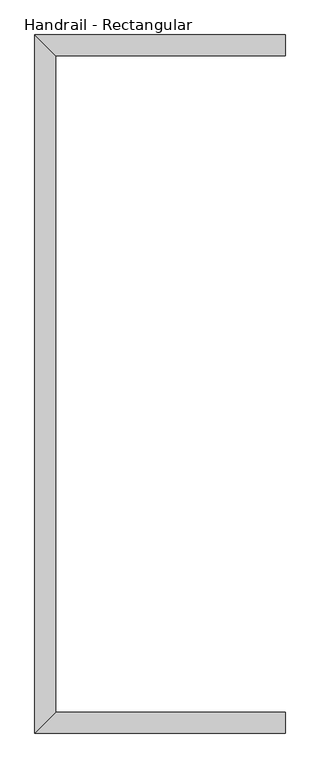
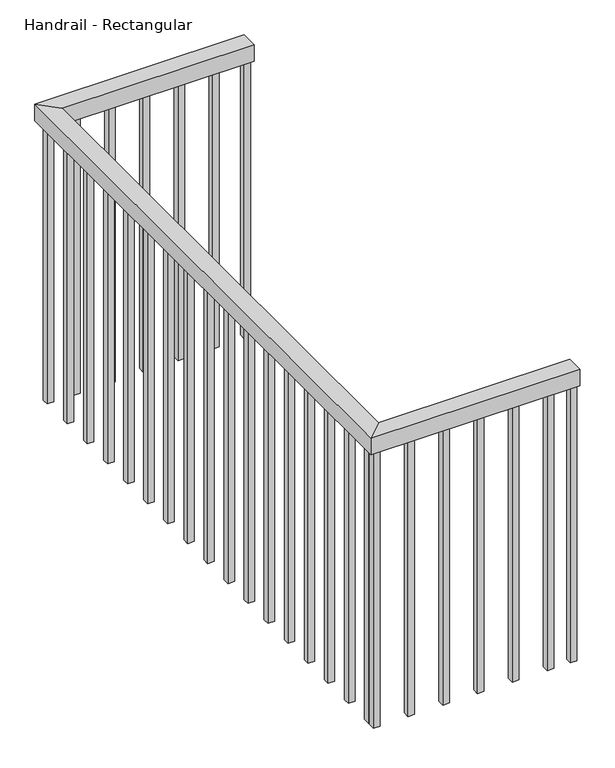
"""IFC4 building model written with IfcOpenShell, lengths in millimetres: railing geometry, Handrail - Rectangular."""

from ifc_helpers import new_model, si_unit, frame, origin, place, context, project, spatial, polyline, outline, extrude, faceted_brep, source, transform, mapped, element, save


def handrail_rectangular_5d9faa0e(model_context):
    return source(origin(), model_context, "Body", "SolidModel", [
        faceted_brep([(-526.5776156, 3180.453017, 3950.0), (-526.5776156, 3129.653017, 3950.0), (-526.5776156, 3129.653017, 3899.2), (-526.5776156, 3180.453017, 3899.2), (-1137.3776156, 3180.453017, 3950.0), (-1086.5776156, 3129.653017, 3950.0), (-1086.5776156, 3129.653017, 3899.2), (-1137.3776156, 3180.453017, 3899.2), (-1137.3776156, 1478.853017, 3950.0), (-1086.5776156, 1529.653017, 3950.0), (-1086.5776156, 1529.653017, 3899.2), (-1137.3776156, 1478.853017, 3899.2), (-526.5776156, 1478.853017, 3950.0), (-526.5776156, 1478.853017, 3899.2), (-526.5776156, 1529.653017, 3899.2), (-526.5776156, 1529.653017, 3950.0)], [[[0, 1, 2, 3]], [[1, 0, 4, 5]], [[2, 1, 5, 6]], [[3, 2, 6, 7]], [[0, 3, 7, 4]], [[5, 4, 8, 9]], [[6, 5, 9, 10]], [[7, 6, 10, 11]], [[4, 7, 11, 8]], [[12, 13, 14, 15]], [[9, 8, 12, 15]], [[10, 9, 15, 14]], [[11, 10, 14, 13]], [[8, 11, 13, 12]]]),
        extrude(outline(polyline([(-613.5026156, 1494.728017), (-613.5026156, 1513.778017), (-594.4526156, 1513.778017), (-594.4526156, 1494.728017), (-613.5026156, 1494.728017)])), frame((0.0, 0.0, 3040.0), z_axis=(0.0, 0.0, 1.0), x_axis=(1.0, 0.0, 0.0)), (0.0, 0.0, 1.0), 859.2),
        extrude(outline(polyline([(-715.1026156, 1494.728017), (-715.1026156, 1513.778017), (-696.0526156, 1513.778017), (-696.0526156, 1494.728017), (-715.1026156, 1494.728017)])), frame((0.0, 0.0, 3040.0), z_axis=(0.0, 0.0, 1.0), x_axis=(1.0, 0.0, 0.0)), (0.0, 0.0, 1.0), 859.2),
        extrude(outline(polyline([(-816.7026156, 1494.728017), (-816.7026156, 1513.778017), (-797.6526156, 1513.778017), (-797.6526156, 1494.728017), (-816.7026156, 1494.728017)])), frame((0.0, 0.0, 3040.0), z_axis=(0.0, 0.0, 1.0), x_axis=(1.0, 0.0, 0.0)), (0.0, 0.0, 1.0), 859.2),
        extrude(outline(polyline([(-918.3026156, 1494.728017), (-918.3026156, 1513.778017), (-899.2526156, 1513.778017), (-899.2526156, 1494.728017), (-918.3026156, 1494.728017)])), frame((0.0, 0.0, 3040.0), z_axis=(0.0, 0.0, 1.0), x_axis=(1.0, 0.0, 0.0)), (0.0, 0.0, 1.0), 859.2),
        extrude(outline(polyline([(-1019.9026156, 1494.728017), (-1019.9026156, 1513.778017), (-1000.8526156, 1513.778017), (-1000.8526156, 1494.728017), (-1019.9026156, 1494.728017)])), frame((0.0, 0.0, 3040.0), z_axis=(0.0, 0.0, 1.0), x_axis=(1.0, 0.0, 0.0)), (0.0, 0.0, 1.0), 859.2),
        extrude(outline(polyline([(-1121.5026156, 1538.978017), (-1102.4526156, 1538.978017), (-1102.4526156, 1519.928017), (-1121.5026156, 1519.928017), (-1121.5026156, 1538.978017)])), frame((0.0, 0.0, 3040.0), z_axis=(0.0, 0.0, 1.0), x_axis=(1.0, 0.0, 0.0)), (0.0, 0.0, 1.0), 859.2),
        extrude(outline(polyline([(-1121.5026156, 1640.578017), (-1102.4526156, 1640.578017), (-1102.4526156, 1621.528017), (-1121.5026156, 1621.528017), (-1121.5026156, 1640.578017)])), frame((0.0, 0.0, 3040.0), z_axis=(0.0, 0.0, 1.0), x_axis=(1.0, 0.0, 0.0)), (0.0, 0.0, 1.0), 859.2),
        extrude(outline(polyline([(-1121.5026156, 1742.178017), (-1102.4526156, 1742.178017), (-1102.4526156, 1723.128017), (-1121.5026156, 1723.128017), (-1121.5026156, 1742.178017)])), frame((0.0, 0.0, 3040.0), z_axis=(0.0, 0.0, 1.0), x_axis=(1.0, 0.0, 0.0)), (0.0, 0.0, 1.0), 859.2),
        extrude(outline(polyline([(-1121.5026156, 1843.778017), (-1102.4526156, 1843.778017), (-1102.4526156, 1824.728017), (-1121.5026156, 1824.728017), (-1121.5026156, 1843.778017)])), frame((0.0, 0.0, 3040.0), z_axis=(0.0, 0.0, 1.0), x_axis=(1.0, 0.0, 0.0)), (0.0, 0.0, 1.0), 859.2),
        extrude(outline(polyline([(-1121.5026156, 1945.378017), (-1102.4526156, 1945.378017), (-1102.4526156, 1926.328017), (-1121.5026156, 1926.328017), (-1121.5026156, 1945.378017)])), frame((0.0, 0.0, 3040.0), z_axis=(0.0, 0.0, 1.0), x_axis=(1.0, 0.0, 0.0)), (0.0, 0.0, 1.0), 859.2),
        extrude(outline(polyline([(-1121.5026156, 2046.978017), (-1102.4526156, 2046.978017), (-1102.4526156, 2027.928017), (-1121.5026156, 2027.928017), (-1121.5026156, 2046.978017)])), frame((0.0, 0.0, 3040.0), z_axis=(0.0, 0.0, 1.0), x_axis=(1.0, 0.0, 0.0)), (0.0, 0.0, 1.0), 859.2),
        extrude(outline(polyline([(-1121.5026156, 2148.578017), (-1102.4526156, 2148.578017), (-1102.4526156, 2129.528017), (-1121.5026156, 2129.528017), (-1121.5026156, 2148.578017)])), frame((0.0, 0.0, 3040.0), z_axis=(0.0, 0.0, 1.0), x_axis=(1.0, 0.0, 0.0)), (0.0, 0.0, 1.0), 859.2),
        extrude(outline(polyline([(-1121.5026156, 2250.178017), (-1102.4526156, 2250.178017), (-1102.4526156, 2231.128017), (-1121.5026156, 2231.128017), (-1121.5026156, 2250.178017)])), frame((0.0, 0.0, 3040.0), z_axis=(0.0, 0.0, 1.0), x_axis=(1.0, 0.0, 0.0)), (0.0, 0.0, 1.0), 859.2),
        extrude(outline(polyline([(-1121.5026156, 2351.778017), (-1102.4526156, 2351.778017), (-1102.4526156, 2332.728017), (-1121.5026156, 2332.728017), (-1121.5026156, 2351.778017)])), frame((0.0, 0.0, 3040.0), z_axis=(0.0, 0.0, 1.0), x_axis=(1.0, 0.0, 0.0)), (0.0, 0.0, 1.0), 859.2),
        extrude(outline(polyline([(-1121.5026156, 2453.378017), (-1102.4526156, 2453.378017), (-1102.4526156, 2434.328017), (-1121.5026156, 2434.328017), (-1121.5026156, 2453.378017)])), frame((0.0, 0.0, 3040.0), z_axis=(0.0, 0.0, 1.0), x_axis=(1.0, 0.0, 0.0)), (0.0, 0.0, 1.0), 859.2),
        extrude(outline(polyline([(-1121.5026156, 2554.978017), (-1102.4526156, 2554.978017), (-1102.4526156, 2535.928017), (-1121.5026156, 2535.928017), (-1121.5026156, 2554.978017)])), frame((0.0, 0.0, 3040.0), z_axis=(0.0, 0.0, 1.0), x_axis=(1.0, 0.0, 0.0)), (0.0, 0.0, 1.0), 859.2),
        extrude(outline(polyline([(-1121.5026156, 2656.578017), (-1102.4526156, 2656.578017), (-1102.4526156, 2637.528017), (-1121.5026156, 2637.528017), (-1121.5026156, 2656.578017)])), frame((0.0, 0.0, 3040.0), z_axis=(0.0, 0.0, 1.0), x_axis=(1.0, 0.0, 0.0)), (0.0, 0.0, 1.0), 859.2),
        extrude(outline(polyline([(-1121.5026156, 2758.178017), (-1102.4526156, 2758.178017), (-1102.4526156, 2739.128017), (-1121.5026156, 2739.128017), (-1121.5026156, 2758.178017)])), frame((0.0, 0.0, 3040.0), z_axis=(0.0, 0.0, 1.0), x_axis=(1.0, 0.0, 0.0)), (0.0, 0.0, 1.0), 859.2),
        extrude(outline(polyline([(-1121.5026156, 2859.778017), (-1102.4526156, 2859.778017), (-1102.4526156, 2840.728017), (-1121.5026156, 2840.728017), (-1121.5026156, 2859.778017)])), frame((0.0, 0.0, 3040.0), z_axis=(0.0, 0.0, 1.0), x_axis=(1.0, 0.0, 0.0)), (0.0, 0.0, 1.0), 859.2),
        extrude(outline(polyline([(-1121.5026156, 2961.378017), (-1102.4526156, 2961.378017), (-1102.4526156, 2942.328017), (-1121.5026156, 2942.328017), (-1121.5026156, 2961.378017)])), frame((0.0, 0.0, 3040.0), z_axis=(0.0, 0.0, 1.0), x_axis=(1.0, 0.0, 0.0)), (0.0, 0.0, 1.0), 859.2),
        extrude(outline(polyline([(-1121.5026156, 3062.978017), (-1102.4526156, 3062.978017), (-1102.4526156, 3043.928017), (-1121.5026156, 3043.928017), (-1121.5026156, 3062.978017)])), frame((0.0, 0.0, 3040.0), z_axis=(0.0, 0.0, 1.0), x_axis=(1.0, 0.0, 0.0)), (0.0, 0.0, 1.0), 859.2),
        extrude(outline(polyline([(-1025.0526156, 3164.578017), (-1025.0526156, 3145.528017), (-1044.1026156, 3145.528017), (-1044.1026156, 3164.578017), (-1025.0526156, 3164.578017)])), frame((0.0, 0.0, 3040.0), z_axis=(0.0, 0.0, 1.0), x_axis=(1.0, 0.0, 0.0)), (0.0, 0.0, 1.0), 859.2),
        extrude(outline(polyline([(-923.4526156, 3164.578017), (-923.4526156, 3145.528017), (-942.5026156, 3145.528017), (-942.5026156, 3164.578017), (-923.4526156, 3164.578017)])), frame((0.0, 0.0, 3040.0), z_axis=(0.0, 0.0, 1.0), x_axis=(1.0, 0.0, 0.0)), (0.0, 0.0, 1.0), 859.2),
        extrude(outline(polyline([(-821.8526156, 3164.578017), (-821.8526156, 3145.528017), (-840.9026156, 3145.528017), (-840.9026156, 3164.578017), (-821.8526156, 3164.578017)])), frame((0.0, 0.0, 3040.0), z_axis=(0.0, 0.0, 1.0), x_axis=(1.0, 0.0, 0.0)), (0.0, 0.0, 1.0), 859.2),
        extrude(outline(polyline([(-720.2526156, 3164.578017), (-720.2526156, 3145.528017), (-739.3026156, 3145.528017), (-739.3026156, 3164.578017), (-720.2526156, 3164.578017)])), frame((0.0, 0.0, 3040.0), z_axis=(0.0, 0.0, 1.0), x_axis=(1.0, 0.0, 0.0)), (0.0, 0.0, 1.0), 859.2),
        extrude(outline(polyline([(-618.6526156, 3164.578017), (-618.6526156, 3145.528017), (-637.7026156, 3145.528017), (-637.7026156, 3164.578017), (-618.6526156, 3164.578017)])), frame((0.0, 0.0, 3040.0), z_axis=(0.0, 0.0, 1.0), x_axis=(1.0, 0.0, 0.0)), (0.0, 0.0, 1.0), 859.2),
        extrude(outline(polyline([(-1121.5026156, 1513.778017), (-1102.4526156, 1513.778017), (-1102.4526156, 1494.728017), (-1121.5026156, 1494.728017), (-1121.5026156, 1513.778017)])), frame((0.0, 0.0, 3040.0), z_axis=(0.0, 0.0, 1.0), x_axis=(1.0, 0.0, 0.0)), (0.0, 0.0, 1.0), 859.2),
        extrude(outline(polyline([(-1102.4526156, 3164.578017), (-1102.4526156, 3145.528017), (-1121.5026156, 3145.528017), (-1121.5026156, 3164.578017), (-1102.4526156, 3164.578017)])), frame((0.0, 0.0, 3040.0), z_axis=(0.0, 0.0, 1.0), x_axis=(1.0, 0.0, 0.0)), (0.0, 0.0, 1.0), 859.2),
        extrude(outline(polyline([(-545.6026156, 1494.728017), (-545.6026156, 1513.778017), (-526.5526156, 1513.778017), (-526.5526156, 1494.728017), (-545.6026156, 1494.728017)])), frame((0.0, 0.0, 3040.0), z_axis=(0.0, 0.0, 1.0), x_axis=(1.0, 0.0, 0.0)), (0.0, 0.0, 1.0), 859.2),
        extrude(outline(polyline([(-526.5526156, 3164.578017), (-526.5526156, 3145.528017), (-545.6026156, 3145.528017), (-545.6026156, 3164.578017), (-526.5526156, 3164.578017)])), frame((0.0, 0.0, 3040.0), z_axis=(0.0, 0.0, 1.0), x_axis=(1.0, 0.0, 0.0)), (0.0, 0.0, 1.0), 859.2),
    ])


if __name__ == "__main__":
    model = new_model("IFC4")
    model_context = context("Model", 3, world=origin())
    ifc_project = project(units=[si_unit("LENGTHUNIT", "METRE", prefix="MILLI")], contexts=[model_context])
    site = spatial("IfcSite", under=ifc_project)
    building = spatial("IfcBuilding", under=site)
    placement = place(None, origin())
    handrail_rectangular_shape = handrail_rectangular_5d9faa0e(model_context)
    element("IfcRailing", 1, ObjectType="Handrail - Rectangular", at=placement, inside=building, context=model_context, shape_type="MappedRepresentation", body=[
        mapped(handrail_rectangular_shape, transform((0.0, 0.0, 0.0), x_axis=(1.0, 0.0, 0.0), y_axis=(0.0, 1.0, 0.0), z_axis=(0.0, 0.0, 1.0))),
    ])
    save(model, "model.ifc")
